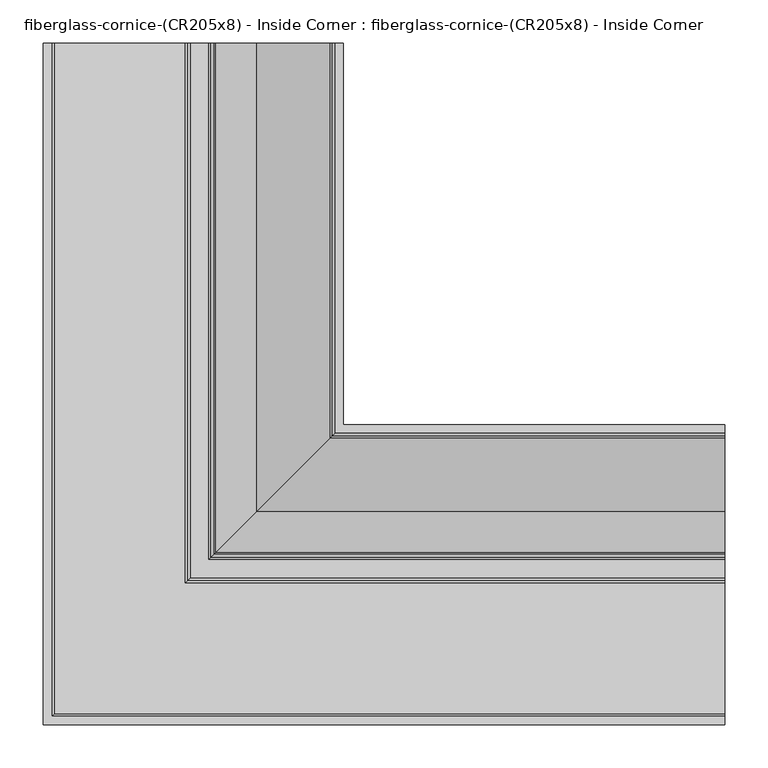
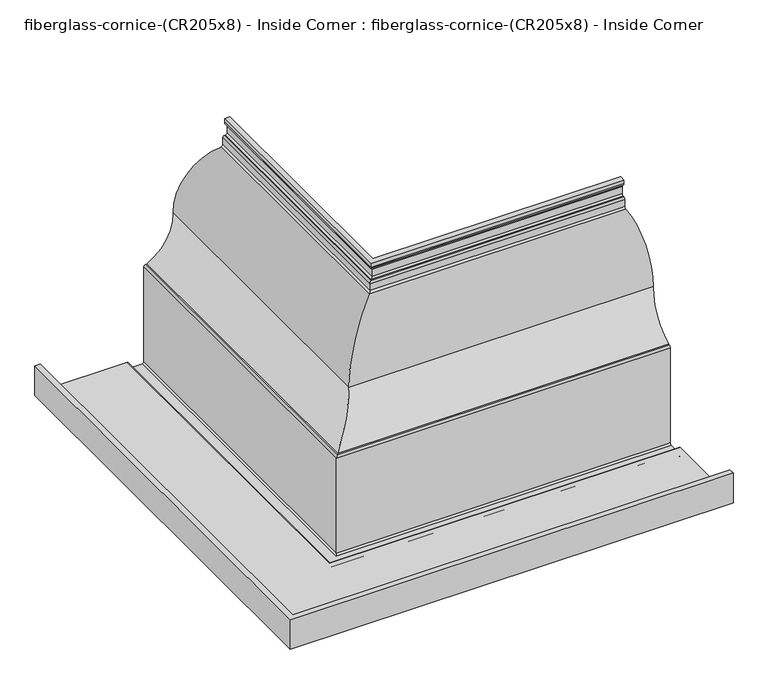
"""IFC4 building model written with IfcOpenShell, lengths in millimetres: furniture geometry, fiberglass-cornice-(CR205x8) - Inside Corner : fiberglass-cornice-(CR205x8) - Inside Corner."""

from ifc_helpers import new_model, si_unit, frame, origin, place, context, project, spatial, polyline, circle_curve, ellipse_curve, source, transform, mapped, element, save
from ifc_brep_helpers import plane_surface, cylinder_surface, revolved_surface, advanced_brep


def fiberglass_cornice_cr205x8_inside_corner_fiberglass_cornice_42f65684(model_context):
    return source(origin(), model_context, "Body", "AdvancedBrep", [
        advanced_brep(
        [(-46.8974018, 888.603125, 330.1999904), (-46.8974018, 888.603125, 296.7496669), (-50.0724018, 888.603125, 293.5746669), (-51.6624838, 888.603125, 293.5746669), (-54.8349097, 888.603125, 290.399668), (-54.8349097, 888.603125, 277.6673142), (-57.9217655, 888.603125, 274.4935379), (-142.7198334, 888.603125, 183.4968665), (-191.2729258, 888.603125, 100.4557582), (-192.6121612, 888.603125, 100.0102029), (-195.2423489, 888.603125, 96.8822955), (-195.2423489, 888.603125, -82.2659003), (-198.4173489, 888.603125, -85.4409003), (-228.7072135, 888.603125, -85.4409003), (-231.8822134, 888.603125, -82.2659005), (-231.8822134, 888.603125, -75.9158997), (-235.0792931, 888.603125, -72.7409765), (-393.6999938, 888.603125, -72.7409765), (-393.6999938, 888.603125, -17.1784797), (-384.1749995, 888.603125, -17.1784797), (-384.1749995, 888.603125, -64.8034783), (-380.9779197, 888.603125, -67.9784015), (-230.2947177, 888.603125, -67.9784015), (-227.1197177, 888.603125, -71.1534015), (-227.1197177, 888.603125, -77.5034023), (-223.9447177, 888.603125, -80.6784023), (-203.1798585, 888.603125, -80.6784023), (-200.0048585, 888.603125, -77.5034025), (-200.0048541, 888.603125, 101.1846656), (-196.6545098, 888.603125, 104.5975338), (-194.8577427, 888.603125, 105.0961744), (-147.5238881, 888.603125, 184.5765721), (-62.5299098, 888.603125, 279.0207573), (-59.5974149, 888.603125, 282.1864826), (-59.5974149, 888.603125, 295.1621667), (-56.4194256, 888.603125, 298.3371653), (-54.8349071, 888.603125, 298.3371653), (-51.6599071, 888.603125, 301.5121653), (-51.6599071, 888.603125, 314.8697359), (-54.0411573, 888.603125, 318.9941821), (-56.4224076, 888.603125, 323.1186282), (-56.4224076, 888.603125, 330.1999904), (393.6999938, 448.005717, 330.1999904), (393.6999938, 438.4807113, 330.1999904), (393.6999938, 438.4807113, 323.1186282), (393.6999938, 440.8619615, 318.9941821), (393.6999938, 443.2432118, 314.8697359), (393.6999938, 443.2432118, 301.5121653), (393.6999938, 440.0682118, 298.3371653), (393.6999938, 438.4836932, 298.3371653), (393.6999938, 435.3057039, 295.1621667), (393.6999938, 435.3057039, 282.1864826), (393.6999938, 432.373209, 279.0207573), (393.6999938, 347.3792307, 184.5765721), (393.6999938, 300.0453761, 105.0961744), (393.6999938, 298.248609, 104.5975338), (393.6999938, 294.8982648, 101.1846656), (393.6999938, 294.8982648, -77.5034025), (393.6999938, 291.7232604, -80.6784025), (393.6999938, 270.9584012, -80.6784023), (393.6999938, 267.7834012, -77.5034023), (393.6999938, 267.7834012, -71.1534015), (393.6999938, 264.6084012, -67.9784015), (393.6999938, 113.9251991, -67.9784015), (393.6999938, 110.7281194, -64.8034783), (393.6999938, 110.7281194, -17.1784797), (393.6999938, 101.203125, -17.1784797), (393.6999938, 101.203125, -72.7409765), (393.6999938, 259.8238257, -72.7409765), (393.6999938, 263.0209055, -75.9158997), (393.6999938, 263.0209055, -82.2659005), (393.6999938, 266.1959054, -85.4409003), (393.6999938, 296.48577, -85.4409003), (393.6999938, 299.66077, -82.2659003), (393.6999938, 299.66077, 96.8822955), (393.6999938, 302.2909577, 100.0102029), (393.6999938, 303.630193, 100.4557582), (393.6999938, 352.1832855, 183.4968665), (393.6999938, 436.9813533, 274.4935379), (393.6999938, 440.0682092, 277.6673142), (393.6999938, 440.0682092, 290.399668), (393.6999938, 443.240635, 293.5746669), (393.6999938, 444.830717, 293.5746669), (393.6999938, 448.005717, 296.7496669), (-46.8974018, 448.005717, 330.1999904), (-46.8974018, 448.005717, 296.7496669), (-50.0724018, 444.830717, 293.5746669), (-51.6624838, 443.240635, 293.5746669), (-54.8349097, 440.0682092, 290.399668), (-54.8349097, 440.0682092, 277.6673142), (-57.9217655, 436.9813533, 274.4935379), (-142.7198334, 352.1832855, 183.4968665), (-191.2729258, 303.630193, 100.4557582), (-192.6121612, 302.2909577, 100.0102029), (-195.2423489, 299.66077, 96.8822955), (-195.2423489, 299.66077, -82.2659003), (-198.4173489, 296.48577, -85.4409003), (-228.7072135, 266.1959054, -85.4409003), (-231.8822134, 263.0209055, -82.2659005), (-231.8822134, 263.0209055, -75.9158997), (-235.0792931, 259.8238257, -72.7409765), (-393.6999938, 101.203125, -72.7409765), (-393.6999938, 101.203125, -17.1784797), (-384.1749995, 110.7281194, -17.1784797), (-384.1749995, 110.7281194, -64.8034783), (-380.9779197, 113.9251991, -67.9784015), (-230.2947177, 264.6084012, -67.9784015), (-227.1197177, 267.7834012, -71.1534015), (-227.1197177, 267.7834012, -77.5034023), (-223.9447177, 270.9584012, -80.6784023), (-203.1798585, 291.7232604, -80.6784023), (-200.0048585, 294.8982604, -77.5034025), (-200.0048541, 294.8982648, 101.1846656), (-196.6545098, 298.248609, 104.5975338), (-194.8577427, 300.0453761, 105.0961744), (-147.5238881, 347.3792307, 184.5765721), (-62.5299098, 432.373209, 279.0207573), (-59.5974149, 435.3057039, 282.1864826), (-59.5974149, 435.3057039, 295.1621667), (-56.4194256, 438.4836932, 298.3371653), (-54.8349071, 440.0682118, 298.3371653), (-51.6599071, 443.2432118, 301.5121653), (-51.6599071, 443.2432118, 314.8697359), (-54.0411573, 440.8619615, 318.9941821), (-56.4224076, 438.4807113, 323.1186282), (-56.4224076, 438.4807113, 330.1999904)],
        [
            (0, 1),
            (1, 2, circle_curve(frame((-50.0724018, 888.603125, 296.7496669), z_axis=(0.0, 1.0, 0.0), x_axis=(1.0, 0.0, 0.0)), 3.175)),
            (2, 3),
            (3, 4, circle_curve(frame((-51.6599097, 888.603125, 290.399668), z_axis=(0.0, -1.0, 0.0), x_axis=(1.0, 0.0, 0.0)), 3.175)),
            (4, 5),
            (5, 6, circle_curve(frame((-58.0099097, 888.603125, 277.6673142), z_axis=(0.0, 1.0, 0.0), x_axis=(1.0, 0.0, 0.0)), 3.175)),
            (6, 7, circle_curve(frame((-55.4981091, 888.603125, 187.2257893), z_axis=(0.0, -1.0, 0.0), x_axis=(1.0, 0.0, 0.0)), 87.3013978)),
            (7, 8, circle_curve(frame((-231.5168116, 888.603125, 179.7005981), z_axis=(0.0, 1.0, 0.0), x_axis=(1.0, 0.0, 0.0)), 88.8780906)),
            (8, 9, circle_curve(frame((-193.4293797, 888.603125, 104.702064), z_axis=(0.0, 1.0, 0.0), x_axis=(1.0, 0.0, 0.0)), 4.7625)),
            (9, 10, circle_curve(frame((-192.0673489, 888.603125, 96.8822955), z_axis=(0.0, -1.0, 0.0), x_axis=(1.0, 0.0, 0.0)), 3.175)),
            (10, 11),
            (11, 12, circle_curve(frame((-198.4173489, 888.603125, -82.2659003), z_axis=(0.0, 1.0, 0.0), x_axis=(1.0, 0.0, 0.0)), 3.175)),
            (12, 13),
            (13, 14, circle_curve(frame((-228.7072135, 888.603125, -82.2659005), z_axis=(0.0, 1.0, 0.0), x_axis=(1.0, 0.0, 0.0)), 3.1749999)),
            (14, 15),
            (15, 16, circle_curve(frame((-235.0572134, 888.603125, -75.9158997), z_axis=(0.0, -1.0, 0.0), x_axis=(1.0, 0.0, 0.0)), 3.175)),
            (16, 17),
            (17, 18),
            (18, 19),
            (19, 20),
            (20, 21, circle_curve(frame((-380.9999995, 888.603125, -64.8034783), z_axis=(0.0, -1.0, 0.0), x_axis=(1.0, 0.0, 0.0)), 3.175)),
            (21, 22),
            (22, 23, circle_curve(frame((-230.2947177, 888.603125, -71.1534015), z_axis=(0.0, 1.0, 0.0), x_axis=(1.0, 0.0, 0.0)), 3.175)),
            (23, 24),
            (24, 25, circle_curve(frame((-223.9447177, 888.603125, -77.5034023), z_axis=(0.0, -1.0, 0.0), x_axis=(1.0, 0.0, 0.0)), 3.175)),
            (25, 26),
            (26, 27, circle_curve(frame((-203.1798585, 888.603125, -77.5034025), z_axis=(0.0, -1.0, 0.0), x_axis=(1.0, 0.0, 0.0)), 3.175)),
            (27, 28),
            (28, 29, circle_curve(frame((-196.3878847, 888.603125, 100.9848763), z_axis=(0.0, 1.0, 0.0), x_axis=(1.0, 0.0, 0.0)), 3.622483)),
            (29, 30, circle_curve(frame((-197.0050435, 888.603125, 109.3471161), z_axis=(0.0, -1.0, 0.0), x_axis=(1.0, 0.0, 0.0)), 4.7625)),
            (30, 31, circle_curve(frame((-233.7521892, 888.603125, 182.0942513), z_axis=(0.0, -1.0, 0.0), x_axis=(1.0, 0.0, 0.0)), 86.2640239)),
            (31, 32, circle_curve(frame((-55.4981091, 888.603125, 187.2257893), z_axis=(0.0, 1.0, 0.0), x_axis=(1.0, 0.0, 0.0)), 92.0639037)),
            (32, 33, circle_curve(frame((-62.7724149, 888.603125, 282.1864826), z_axis=(0.0, -1.0, 0.0), x_axis=(1.0, 0.0, 0.0)), 3.175)),
            (33, 34),
            (34, 35, circle_curve(frame((-56.4224149, 888.603125, 295.1621667), z_axis=(0.0, 1.0, 0.0), x_axis=(1.0, 0.0, 0.0)), 3.175)),
            (35, 36),
            (36, 37, circle_curve(frame((-54.8349071, 888.603125, 301.5121653), z_axis=(0.0, -1.0, 0.0), x_axis=(1.0, 0.0, 0.0)), 3.175)),
            (37, 38),
            (38, 39, circle_curve(frame((-56.4224071, 888.603125, 314.8697359), z_axis=(0.0, -1.0, 0.0), x_axis=(1.0, 0.0, 0.0)), 4.7625)),
            (39, 40, circle_curve(frame((-51.6599076, 888.603125, 323.1186282), z_axis=(0.0, 1.0, 0.0), x_axis=(1.0, 0.0, 0.0)), 4.7625)),
            (40, 41),
            (41, 0),
            (42, 43),
            (43, 44),
            (44, 45, circle_curve(frame((393.6999938, 443.2432113, 323.1186282), z_axis=(1.0, 0.0, 0.0), x_axis=(0.0, 1.0, 0.0)), 4.7625)),
            (45, 46, circle_curve(frame((393.6999938, 438.4807118, 314.8697359), z_axis=(-1.0, 0.0, 0.0), x_axis=(0.0, 1.0, 0.0)), 4.7625)),
            (46, 47),
            (47, 48, circle_curve(frame((393.6999938, 440.0682118, 301.5121653), z_axis=(-1.0, 0.0, 0.0), x_axis=(0.0, 1.0, 0.0)), 3.175)),
            (48, 49),
            (49, 50, circle_curve(frame((393.6999938, 438.4807039, 295.1621667), z_axis=(1.0, 0.0, 0.0), x_axis=(0.0, 1.0, 0.0)), 3.175)),
            (50, 51),
            (51, 52, circle_curve(frame((393.6999938, 432.1307039, 282.1864826), z_axis=(-1.0, 0.0, 0.0), x_axis=(0.0, 1.0, 0.0)), 3.175)),
            (52, 53, circle_curve(frame((393.6999938, 439.4050098, 187.2257893), z_axis=(1.0, 0.0, 0.0), x_axis=(0.0, 1.0, 0.0)), 92.0639037)),
            (53, 54, circle_curve(frame((393.6999938, 261.1509296, 182.0942513), z_axis=(-1.0, 0.0, 0.0), x_axis=(0.0, 1.0, 0.0)), 86.2640239)),
            (54, 55, circle_curve(frame((393.6999938, 297.8980754, 109.3471161), z_axis=(-1.0, 0.0, 0.0), x_axis=(0.0, 1.0, 0.0)), 4.7625)),
            (55, 56, circle_curve(frame((393.6999938, 298.5152341, 100.9848763), z_axis=(1.0, 0.0, 0.0), x_axis=(0.0, 1.0, 0.0)), 3.622483)),
            (56, 57),
            (57, 58, circle_curve(frame((393.6999938, 291.7232604, -77.5034025), z_axis=(-1.0, 0.0, 0.0), x_axis=(0.0, 1.0, 0.0)), 3.175)),
            (58, 59),
            (59, 60, circle_curve(frame((393.6999938, 270.9584012, -77.5034023), z_axis=(-1.0, 0.0, 0.0), x_axis=(0.0, 1.0, 0.0)), 3.175)),
            (60, 61),
            (61, 62, circle_curve(frame((393.6999938, 264.6084012, -71.1534015), z_axis=(1.0, 0.0, 0.0), x_axis=(0.0, 1.0, 0.0)), 3.175)),
            (62, 63),
            (63, 64, circle_curve(frame((393.6999938, 113.9031194, -64.8034783), z_axis=(-1.0, 0.0, 0.0), x_axis=(0.0, 1.0, 0.0)), 3.175)),
            (64, 65),
            (65, 66),
            (66, 67),
            (67, 68),
            (68, 69, circle_curve(frame((393.6999938, 259.8459055, -75.9158997), z_axis=(-1.0, 0.0, 0.0), x_axis=(0.0, 1.0, 0.0)), 3.175)),
            (69, 70),
            (70, 71, circle_curve(frame((393.6999938, 266.1959054, -82.2659005), z_axis=(1.0, 0.0, 0.0), x_axis=(0.0, 1.0, 0.0)), 3.1749999)),
            (71, 72),
            (72, 73, circle_curve(frame((393.6999938, 296.48577, -82.2659003), z_axis=(1.0, 0.0, 0.0), x_axis=(0.0, 1.0, 0.0)), 3.175)),
            (73, 74),
            (74, 75, circle_curve(frame((393.6999938, 302.83577, 96.8822955), z_axis=(-1.0, 0.0, 0.0), x_axis=(0.0, 1.0, 0.0)), 3.175)),
            (75, 76, circle_curve(frame((393.6999938, 301.4737391, 104.702064), z_axis=(1.0, 0.0, 0.0), x_axis=(0.0, 1.0, 0.0)), 4.7625)),
            (76, 77, circle_curve(frame((393.6999938, 263.3863073, 179.7005981), z_axis=(1.0, 0.0, 0.0), x_axis=(0.0, 1.0, 0.0)), 88.8780906)),
            (77, 78, circle_curve(frame((393.6999938, 439.4050098, 187.2257893), z_axis=(-1.0, 0.0, 0.0), x_axis=(0.0, 1.0, 0.0)), 87.3013978)),
            (78, 79, circle_curve(frame((393.6999938, 436.8932092, 277.6673142), z_axis=(1.0, 0.0, 0.0), x_axis=(0.0, 1.0, 0.0)), 3.175)),
            (79, 80),
            (80, 81, circle_curve(frame((393.6999938, 443.2432092, 290.399668), z_axis=(-1.0, 0.0, 0.0), x_axis=(0.0, 1.0, 0.0)), 3.175)),
            (81, 82),
            (82, 83, circle_curve(frame((393.6999938, 444.830717, 296.7496669), z_axis=(1.0, 0.0, 0.0), x_axis=(0.0, 1.0, 0.0)), 3.175)),
            (83, 42),
            (0, 84),
            (84, 85),
            (85, 1),
            (85, 86, ellipse_curve(frame((-50.0724018, 444.830717, 296.7496669), z_axis=(-0.7071067811865475, 0.7071067811865475, 0.0), x_axis=(0.7071067811865474, 0.7071067811865476, 0.0)), 4.4901281, 3.175)),
            (86, 2),
            (86, 82),
            (81, 87),
            (87, 3),
            (87, 88, ellipse_curve(frame((-51.6599097, 443.2432092, 290.399668), z_axis=(0.7071067811865475, -0.7071067811865475, 0.0), x_axis=(-0.7071067811865474, -0.7071067811865476, 0.0)), 4.4901281, 3.175)),
            (88, 4),
            (88, 89),
            (89, 5),
            (89, 90, ellipse_curve(frame((-58.0099097, 436.8932092, 277.6673142), z_axis=(-0.7071067811865475, 0.7071067811865475, 0.0), x_axis=(0.7071067811865474, 0.7071067811865476, 0.0)), 4.4901281, 3.175)),
            (90, 6),
            (90, 91, ellipse_curve(frame((-55.4981091, 439.4050098, 187.2257893), z_axis=(0.7071067811865475, -0.7071067811865475, 0.0), x_axis=(-0.7071067811865474, -0.7071067811865476, 0.0)), 123.4628208, 87.3013978)),
            (91, 7),
            (91, 92, ellipse_curve(frame((-231.5168116, 263.3863073, 179.7005981), z_axis=(-0.7071067811865475, 0.7071067811865475, 0.0), x_axis=(0.7071067811865474, 0.7071067811865476, 0.0)), 125.6926012, 88.8780906)),
            (92, 8),
            (92, 93, ellipse_curve(frame((-193.4293797, 301.4737391, 104.702064), z_axis=(-0.7071067811865475, 0.7071067811865475, 0.0), x_axis=(0.7071067811865474, 0.7071067811865476, 0.0)), 6.7351921, 4.7625)),
            (93, 9),
            (93, 94, ellipse_curve(frame((-192.0673489, 302.83577, 96.8822955), z_axis=(0.7071067811865475, -0.7071067811865475, 0.0), x_axis=(-0.7071067811865474, -0.7071067811865476, 0.0)), 4.4901281, 3.175)),
            (94, 10),
            (94, 95),
            (95, 11),
            (95, 96, ellipse_curve(frame((-198.4173489, 296.48577, -82.2659003), z_axis=(-0.7071067811865475, 0.7071067811865475, 0.0), x_axis=(0.7071067811865474, 0.7071067811865476, 0.0)), 4.4901281, 3.175)),
            (96, 12),
            (96, 72),
            (71, 97),
            (97, 13),
            (97, 98, ellipse_curve(frame((-228.7072135, 266.1959054, -82.2659005), z_axis=(-0.7071067811865475, 0.7071067811865475, 0.0), x_axis=(0.7071067811865474, 0.7071067811865476, 0.0)), 4.4901279, 3.1749999)),
            (98, 14),
            (98, 99),
            (99, 15),
            (99, 100, ellipse_curve(frame((-235.0572134, 259.8459055, -75.9158997), z_axis=(0.7071067811865475, -0.7071067811865475, 0.0), x_axis=(-0.7071067811865474, -0.7071067811865476, 0.0)), 4.4901281, 3.175)),
            (100, 16),
            (100, 68),
            (67, 101),
            (101, 17),
            (101, 102),
            (102, 18),
            (102, 66),
            (65, 103),
            (103, 19),
            (103, 104),
            (104, 20),
            (104, 105, ellipse_curve(frame((-380.9999995, 113.9031194, -64.8034783), z_axis=(0.7071067811865475, -0.7071067811865475, 0.0), x_axis=(-0.7071067811865474, -0.7071067811865476, 0.0)), 4.4901281, 3.175)),
            (105, 21),
            (105, 63),
            (62, 106),
            (106, 22),
            (106, 107, ellipse_curve(frame((-230.2947177, 264.6084012, -71.1534015), z_axis=(-0.7071067811865475, 0.7071067811865475, 0.0), x_axis=(0.7071067811865474, 0.7071067811865476, 0.0)), 4.4901281, 3.175)),
            (107, 23),
            (107, 108),
            (108, 24),
            (108, 109, ellipse_curve(frame((-223.9447177, 270.9584012, -77.5034023), z_axis=(0.7071067811865475, -0.7071067811865475, 0.0), x_axis=(-0.7071067811865474, -0.7071067811865476, 0.0)), 4.4901281, 3.175)),
            (109, 25),
            (109, 59),
            (58, 110),
            (110, 26),
            (110, 111, ellipse_curve(frame((-203.1798585, 291.7232604, -77.5034025), z_axis=(0.7071067811865475, -0.7071067811865475, 0.0), x_axis=(-0.7071067811865474, -0.7071067811865476, 0.0)), 4.4901281, 3.175)),
            (111, 27),
            (111, 112),
            (112, 28),
            (112, 113, ellipse_curve(frame((-196.3878847, 298.5152341, 100.9848763), z_axis=(-0.7071067811865475, 0.7071067811865475, 0.0), x_axis=(0.7071067811865474, 0.7071067811865476, 0.0)), 5.1229646, 3.622483)),
            (113, 29),
            (113, 114, ellipse_curve(frame((-197.0050435, 297.8980754, 109.3471161), z_axis=(0.7071067811865475, -0.7071067811865475, 0.0), x_axis=(-0.7071067811865474, -0.7071067811865476, 0.0)), 6.7351921, 4.7625)),
            (114, 30),
            (114, 115, ellipse_curve(frame((-233.7521892, 261.1509296, 182.0942513), z_axis=(0.7071067811865475, -0.7071067811865475, 0.0), x_axis=(-0.7071067811865474, -0.7071067811865476, 0.0)), 121.9957526, 86.2640239)),
            (115, 31),
            (115, 116, ellipse_curve(frame((-55.4981091, 439.4050098, 187.2257893), z_axis=(-0.7071067811865475, 0.7071067811865475, 0.0), x_axis=(0.7071067811865474, 0.7071067811865476, 0.0)), 130.1980213, 92.0639037)),
            (116, 32),
            (116, 117, ellipse_curve(frame((-62.7724149, 432.1307039, 282.1864826), z_axis=(0.7071067811865475, -0.7071067811865475, 0.0), x_axis=(-0.7071067811865474, -0.7071067811865476, 0.0)), 4.4901281, 3.175)),
            (117, 33),
            (117, 118),
            (118, 34),
            (118, 119, ellipse_curve(frame((-56.4224149, 438.4807039, 295.1621667), z_axis=(-0.7071067811865475, 0.7071067811865475, 0.0), x_axis=(0.7071067811865474, 0.7071067811865476, 0.0)), 4.4901281, 3.175)),
            (119, 35),
            (119, 49),
            (48, 120),
            (120, 36),
            (120, 121, ellipse_curve(frame((-54.8349071, 440.0682118, 301.5121653), z_axis=(0.7071067811865475, -0.7071067811865475, 0.0), x_axis=(-0.7071067811865474, -0.7071067811865476, 0.0)), 4.4901281, 3.175)),
            (121, 37),
            (121, 122),
            (122, 38),
            (122, 123, ellipse_curve(frame((-56.4224071, 438.4807118, 314.8697359), z_axis=(0.7071067811865475, -0.7071067811865475, 0.0), x_axis=(-0.7071067811865474, -0.7071067811865476, 0.0)), 6.7351921, 4.7625)),
            (123, 39),
            (123, 124, ellipse_curve(frame((-51.6599076, 443.2432113, 323.1186282), z_axis=(-0.7071067811865475, 0.7071067811865475, 0.0), x_axis=(0.7071067811865474, 0.7071067811865476, 0.0)), 6.7351921, 4.7625)),
            (124, 40),
            (124, 125),
            (125, 41),
            (125, 43),
            (42, 84),
            (83, 85),
            (80, 88),
            (79, 89),
            (78, 90),
            (77, 91),
            (76, 92),
            (75, 93),
            (74, 94),
            (73, 95),
            (70, 98),
            (69, 99),
            (64, 104),
            (61, 107),
            (60, 108),
            (57, 111),
            (56, 112),
            (55, 113),
            (54, 114),
            (53, 115),
            (52, 116),
            (51, 117),
            (50, 118),
            (47, 121),
            (46, 122),
            (45, 123),
            (44, 124),
        ],
        [
            plane_surface(frame((-393.6999938, 888.603125, 330.1999904), z_axis=(0.0, 1.0, 0.0), x_axis=(0.0, 0.0, 1.0))),
            plane_surface(frame((393.6999938, 101.203125, 330.1999904), z_axis=(1.0, 0.0, 0.0), x_axis=(0.0, 0.0, 1.0))),
            plane_surface(frame((-46.8974018, 888.603125, 330.1999904), z_axis=(1.0, 0.0, 0.0), x_axis=(0.0, -1.0, 0.0))),
            cylinder_surface(frame((-50.0724018, 888.603125, 296.7496669), z_axis=(0.0, 1.0, 0.0), x_axis=(1.0, 0.0, 0.0)), 3.175),
            plane_surface(frame((-50.0724018, 888.603125, 293.5746669), z_axis=(0.0, 0.0, -1.0), x_axis=(0.0, -1.0, 0.0))),
            revolved_surface(polyline([(-48.4849097, 440.06820917209376, 290.399668), (-48.4849097, 888.603125, 290.399668)]), (-51.6599097, 888.603125, 290.399668), (0.0, -1.0, 0.0)),
            plane_surface(frame((-54.8349097, 888.603125, 290.399668), z_axis=(1.0, 0.0, 0.0), x_axis=(0.0, -1.0, 0.0))),
            cylinder_surface(frame((-58.0099097, 888.603125, 277.6673142), z_axis=(0.0, 1.0, 0.0), x_axis=(1.0, 0.0, 0.0)), 3.175),
            revolved_surface(polyline([(31.803288700000003, 352.10361198790054, 187.2257893), (31.803288700000003, 888.603125, 187.2257893)]), (-55.4981091, 888.603125, 187.2257893), (0.0, -1.0, 0.0)),
            cylinder_surface(frame((-231.5168116, 888.603125, 179.7005981), z_axis=(0.0, 1.0, 0.0), x_axis=(1.0, 0.0, 0.0)), 88.8780906),
            cylinder_surface(frame((-193.4293797, 888.603125, 104.702064), z_axis=(0.0, 1.0, 0.0), x_axis=(1.0, 0.0, 0.0)), 4.7625),
            revolved_surface(polyline([(-188.8923489, 299.6607699720937, 96.8822955), (-188.8923489, 888.603125, 96.8822955)]), (-192.0673489, 888.603125, 96.8822955), (0.0, -1.0, 0.0)),
            plane_surface(frame((-195.2423489, 888.603125, 96.8822955), z_axis=(1.0, 0.0, 0.0), x_axis=(0.0, -1.0, 0.0))),
            cylinder_surface(frame((-198.4173489, 888.603125, -82.2659003), z_axis=(0.0, 1.0, 0.0), x_axis=(1.0, 0.0, 0.0)), 3.175),
            plane_surface(frame((-198.4173489, 888.603125, -85.4409003), z_axis=(0.0, 0.0, -1.0), x_axis=(0.0, -1.0, 0.0))),
            cylinder_surface(frame((-228.7072135, 888.603125, -82.2659005), z_axis=(0.0, 1.0, 0.0), x_axis=(1.0, 0.0, 0.0)), 3.1749999),
            plane_surface(frame((-231.8822134, 888.603125, -82.2659005), z_axis=(-1.0, 0.0, 0.0), x_axis=(0.0, -1.0, 0.0))),
            revolved_surface(polyline([(-231.88221339999998, 256.67090547209364, -75.9158997), (-231.88221339999998, 888.603125, -75.9158997)]), (-235.0572134, 888.603125, -75.9158997), (0.0, -1.0, 0.0)),
            plane_surface(frame((-235.0792931, 888.603125, -72.7409765), z_axis=(0.0, 0.0, -1.0), x_axis=(0.0, -1.0, 0.0))),
            plane_surface(frame((-393.6999938, 888.603125, -72.7409765), z_axis=(-1.0, 0.0, 0.0), x_axis=(0.0, -1.0, 0.0))),
            plane_surface(frame((-393.6999938, 888.603125, -17.1784797), z_axis=(0.0, 0.0, 1.0), x_axis=(0.0, -1.0, 0.0))),
            plane_surface(frame((-384.1749995, 888.603125, -17.1784797), z_axis=(1.0, 0.0, 0.0), x_axis=(0.0, -1.0, 0.0))),
            revolved_surface(polyline([(-377.8249995, 110.72811937209372, -64.8034783), (-377.8249995, 888.603125, -64.8034783)]), (-380.9999995, 888.603125, -64.8034783), (0.0, -1.0, 0.0)),
            plane_surface(frame((-380.9779197, 888.603125, -67.9784015), z_axis=(0.0, 0.0, 1.0), x_axis=(0.0, -1.0, 0.0))),
            cylinder_surface(frame((-230.2947177, 888.603125, -71.1534015), z_axis=(0.0, 1.0, 0.0), x_axis=(1.0, 0.0, 0.0)), 3.175),
            plane_surface(frame((-227.1197177, 888.603125, -71.1534015), z_axis=(1.0, 0.0, 0.0), x_axis=(0.0, -1.0, 0.0))),
            revolved_surface(polyline([(-220.7697177, 267.7834011720937, -77.5034023), (-220.7697177, 888.603125, -77.5034023)]), (-223.9447177, 888.603125, -77.5034023), (0.0, -1.0, 0.0)),
            plane_surface(frame((-223.9447177, 888.603125, -80.6784023), z_axis=(0.0, 0.0, 1.0), x_axis=(0.0, -1.0, 0.0))),
            revolved_surface(polyline([(-200.00485849999998, 288.54826037209364, -77.5034025), (-200.00485849999998, 888.603125, -77.5034025)]), (-203.1798585, 888.603125, -77.5034025), (0.0, -1.0, 0.0)),
            plane_surface(frame((-200.0048541, 888.603125, -72.7645836), z_axis=(-1.0, 0.0, 0.0), x_axis=(0.0, -1.0, 0.0))),
            cylinder_surface(frame((-196.3878847, 888.603125, 100.9848763), z_axis=(0.0, 1.0, 0.0), x_axis=(1.0, 0.0, 0.0)), 3.622483),
            revolved_surface(polyline([(-192.2425435, 293.13557539349597, 109.3471161), (-192.2425435, 888.603125, 109.3471161)]), (-197.0050435, 888.603125, 109.3471161), (0.0, -1.0, 0.0)),
            revolved_surface(polyline([(-147.4881653, 174.8869056605837, 182.0942513), (-147.4881653, 888.603125, 182.0942513)]), (-233.7521892, 888.603125, 182.0942513), (0.0, -1.0, 0.0)),
            cylinder_surface(frame((-55.4981091, 888.603125, 187.2257893), z_axis=(0.0, 1.0, 0.0), x_axis=(1.0, 0.0, 0.0)), 92.0639037),
            revolved_surface(polyline([(-59.597414900000004, 428.95570387209375, 282.1864826), (-59.597414900000004, 888.603125, 282.1864826)]), (-62.7724149, 888.603125, 282.1864826), (0.0, -1.0, 0.0)),
            plane_surface(frame((-59.5974149, 888.603125, 282.1864826), z_axis=(-1.0, 0.0, 0.0), x_axis=(0.0, -1.0, 0.0))),
            cylinder_surface(frame((-56.4224149, 888.603125, 295.1621667), z_axis=(0.0, 1.0, 0.0), x_axis=(1.0, 0.0, 0.0)), 3.175),
            plane_surface(frame((-56.4194256, 888.603125, 298.3371653), z_axis=(0.0, 0.0, 1.0), x_axis=(0.0, -1.0, 0.0))),
            revolved_surface(polyline([(-51.659907100000005, 436.8932117720937, 301.5121653), (-51.659907100000005, 888.603125, 301.5121653)]), (-54.8349071, 888.603125, 301.5121653), (0.0, -1.0, 0.0)),
            plane_surface(frame((-51.6599071, 888.603125, 301.5121653), z_axis=(-1.0, 0.0, 0.0), x_axis=(0.0, -1.0, 0.0))),
            revolved_surface(polyline([(-51.6599071, 433.7182117934959, 314.8697359), (-51.6599071, 888.603125, 314.8697359)]), (-56.4224071, 888.603125, 314.8697359), (0.0, -1.0, 0.0)),
            cylinder_surface(frame((-51.6599076, 888.603125, 323.1186282), z_axis=(0.0, 1.0, 0.0), x_axis=(1.0, 0.0, 0.0)), 4.7625),
            plane_surface(frame((-56.4224076, 888.603125, 323.1186282), z_axis=(-1.0, 0.0, 0.0), x_axis=(0.0, -1.0, 0.0))),
            plane_surface(frame((-56.4224076, 888.603125, 330.1999904), z_axis=(0.0, 0.0, 1.0), x_axis=(0.0, -1.0, 0.0))),
            plane_surface(frame((-46.8974018, 448.005717, 330.1999904), z_axis=(0.0, 1.0, 0.0), x_axis=(1.0, 0.0, 0.0))),
            cylinder_surface(frame((-393.6999938, 444.830717, 296.7496669), z_axis=(-1.0, 0.0, 0.0), x_axis=(0.0, 1.0, 0.0)), 3.175),
            revolved_surface(polyline([(393.6999938, 446.41820920000004, 290.399668), (-54.83490972790628, 446.41820920000004, 290.399668)]), (-393.6999938, 443.2432092, 290.399668), (1.0, 0.0, 0.0)),
            plane_surface(frame((-54.8349097, 440.0682092, 290.399668), z_axis=(0.0, 1.0, 0.0), x_axis=(1.0, 0.0, 0.0))),
            cylinder_surface(frame((-393.6999938, 436.8932092, 277.6673142), z_axis=(-1.0, 0.0, 0.0), x_axis=(0.0, 1.0, 0.0)), 3.175),
            revolved_surface(polyline([(393.6999938, 526.7064076, 187.2257893), (-142.79950691209953, 526.7064076, 187.2257893)]), (-393.6999938, 439.4050098, 187.2257893), (1.0, 0.0, 0.0)),
            cylinder_surface(frame((-393.6999938, 263.3863073, 179.7005981), z_axis=(-1.0, 0.0, 0.0), x_axis=(0.0, 1.0, 0.0)), 88.8780906),
            cylinder_surface(frame((-393.6999938, 301.4737391, 104.702064), z_axis=(-1.0, 0.0, 0.0), x_axis=(0.0, 1.0, 0.0)), 4.7625),
            revolved_surface(polyline([(393.6999938, 306.01077000000004, 96.8822955), (-195.24234892790628, 306.01077000000004, 96.8822955)]), (-393.6999938, 302.83577, 96.8822955), (1.0, 0.0, 0.0)),
            plane_surface(frame((-195.2423489, 299.66077, 96.8822955), z_axis=(0.0, 1.0, 0.0), x_axis=(1.0, 0.0, 0.0))),
            cylinder_surface(frame((-393.6999938, 296.48577, -82.2659003), z_axis=(-1.0, 0.0, 0.0), x_axis=(0.0, 1.0, 0.0)), 3.175),
            cylinder_surface(frame((-393.6999938, 266.1959054, -82.2659005), z_axis=(-1.0, 0.0, 0.0), x_axis=(0.0, 1.0, 0.0)), 3.1749999),
            plane_surface(frame((-231.8822134, 263.0209055, -82.2659005), z_axis=(0.0, -1.0, 0.0), x_axis=(1.0, 0.0, 0.0))),
            revolved_surface(polyline([(393.6999938, 263.0209055, -75.9158997), (-238.23221342790626, 263.0209055, -75.9158997)]), (-393.6999938, 259.8459055, -75.9158997), (1.0, 0.0, 0.0)),
            plane_surface(frame((-393.6999938, 101.203125, -72.7409765), z_axis=(0.0, -1.0, 0.0), x_axis=(1.0, 0.0, 0.0))),
            plane_surface(frame((-384.1749995, 110.7281194, -17.1784797), z_axis=(0.0, 1.0, 0.0), x_axis=(1.0, 0.0, 0.0))),
            revolved_surface(polyline([(393.6999938, 117.07811939999999, -64.8034783), (-384.17499952790627, 117.07811939999999, -64.8034783)]), (-393.6999938, 113.9031194, -64.8034783), (1.0, 0.0, 0.0)),
            cylinder_surface(frame((-393.6999938, 264.6084012, -71.1534015), z_axis=(-1.0, 0.0, 0.0), x_axis=(0.0, 1.0, 0.0)), 3.175),
            plane_surface(frame((-227.1197177, 267.7834012, -71.1534015), z_axis=(0.0, 1.0, 0.0), x_axis=(1.0, 0.0, 0.0))),
            revolved_surface(polyline([(393.6999938, 274.13340120000004, -77.5034023), (-227.11971772790628, 274.13340120000004, -77.5034023)]), (-393.6999938, 270.9584012, -77.5034023), (1.0, 0.0, 0.0)),
            revolved_surface(polyline([(393.6999938, 294.8982604, -77.5034025), (-206.35485852790626, 294.8982604, -77.5034025)]), (-393.6999938, 291.7232604, -77.5034025), (1.0, 0.0, 0.0)),
            plane_surface(frame((-200.0048541, 294.8982648, -72.7645836), z_axis=(0.0, -1.0, 0.0), x_axis=(1.0, 0.0, 0.0))),
            cylinder_surface(frame((-393.6999938, 298.5152341, 100.9848763), z_axis=(-1.0, 0.0, 0.0), x_axis=(0.0, 1.0, 0.0)), 3.622483),
            revolved_surface(polyline([(393.6999938, 302.66057539999997, 109.3471161), (-201.76754350650407, 302.66057539999997, 109.3471161)]), (-393.6999938, 297.8980754, 109.3471161), (1.0, 0.0, 0.0)),
            revolved_surface(polyline([(393.6999938, 347.41495349999997, 182.0942513), (-320.0162131394164, 347.41495349999997, 182.0942513)]), (-393.6999938, 261.1509296, 182.0942513), (1.0, 0.0, 0.0)),
            cylinder_surface(frame((-393.6999938, 439.4050098, 187.2257893), z_axis=(-1.0, 0.0, 0.0), x_axis=(0.0, 1.0, 0.0)), 92.0639037),
            revolved_surface(polyline([(393.6999938, 435.3057039, 282.1864826), (-65.94741492790627, 435.3057039, 282.1864826)]), (-393.6999938, 432.1307039, 282.1864826), (1.0, 0.0, 0.0)),
            plane_surface(frame((-59.5974149, 435.3057039, 282.1864826), z_axis=(0.0, -1.0, 0.0), x_axis=(1.0, 0.0, 0.0))),
            cylinder_surface(frame((-393.6999938, 438.4807039, 295.1621667), z_axis=(-1.0, 0.0, 0.0), x_axis=(0.0, 1.0, 0.0)), 3.175),
            revolved_surface(polyline([(393.6999938, 443.2432118, 301.5121653), (-58.009907127906274, 443.2432118, 301.5121653)]), (-393.6999938, 440.0682118, 301.5121653), (1.0, 0.0, 0.0)),
            plane_surface(frame((-51.6599071, 443.2432118, 301.5121653), z_axis=(0.0, -1.0, 0.0), x_axis=(1.0, 0.0, 0.0))),
            revolved_surface(polyline([(393.6999938, 443.2432118, 314.8697359), (-61.184907106504056, 443.2432118, 314.8697359)]), (-393.6999938, 438.4807118, 314.8697359), (1.0, 0.0, 0.0)),
            cylinder_surface(frame((-393.6999938, 443.2432113, 323.1186282), z_axis=(-1.0, 0.0, 0.0), x_axis=(0.0, 1.0, 0.0)), 4.7625),
            plane_surface(frame((-56.4224076, 438.4807113, 323.1186282), z_axis=(0.0, -1.0, 0.0), x_axis=(1.0, 0.0, 0.0))),
        ],
        [
            (0, [[1, 2, 3, 4, 5, 6, 7, 8, 9, 10, 11, 12, 13, 14, 15, 16, 17, 18, 19, 20, 21, 22, 23, 24, 25, 26, 27, 28, 29, 30, 31, 32, 33, 34, 35, 36, 37, 38, 39, 40, 41, 42]]),
            (1, [[43, 44, 45, 46, 47, 48, 49, 50, 51, 52, 53, 54, 55, 56, 57, 58, 59, 60, 61, 62, 63, 64, 65, 66, 67, 68, 69, 70, 71, 72, 73, 74, 75, 76, 77, 78, 79, 80, 81, 82, 83, 84]]),
            (2, [[-1, 85, 86, 87]]),
            (3, [[-2, -87, 88, 89]]),
            (4, [[-3, -89, 90, -82, 91, 92]]),
            (5, [[-4, -92, 93, 94]]),
            (6, [[-5, -94, 95, 96]]),
            (7, [[-6, -96, 97, 98]]),
            (8, [[-7, -98, 99, 100]]),
            (9, [[-8, -100, 101, 102]]),
            (10, [[-9, -102, 103, 104]]),
            (11, [[-10, -104, 105, 106]]),
            (12, [[-11, -106, 107, 108]]),
            (13, [[-12, -108, 109, 110]]),
            (14, [[-13, -110, 111, -72, 112, 113]]),
            (15, [[-14, -113, 114, 115]]),
            (16, [[-15, -115, 116, 117]]),
            (17, [[-16, -117, 118, 119]]),
            (18, [[-17, -119, 120, -68, 121, 122]]),
            (19, [[-18, -122, 123, 124]]),
            (20, [[-19, -124, 125, -66, 126, 127]]),
            (21, [[-20, -127, 128, 129]]),
            (22, [[-21, -129, 130, 131]]),
            (23, [[-22, -131, 132, -63, 133, 134]]),
            (24, [[-23, -134, 135, 136]]),
            (25, [[-24, -136, 137, 138]]),
            (26, [[-25, -138, 139, 140]]),
            (27, [[-26, -140, 141, -59, 142, 143]]),
            (28, [[-27, -143, 144, 145]]),
            (29, [[-145, 146, 147, -28]]),
            (30, [[-29, -147, 148, 149]]),
            (31, [[-30, -149, 150, 151]]),
            (32, [[-31, -151, 152, 153]]),
            (33, [[-32, -153, 154, 155]]),
            (34, [[-33, -155, 156, 157]]),
            (35, [[-34, -157, 158, 159]]),
            (36, [[-35, -159, 160, 161]]),
            (37, [[-36, -161, 162, -49, 163, 164]]),
            (38, [[-37, -164, 165, 166]]),
            (39, [[-38, -166, 167, 168]]),
            (40, [[-39, -168, 169, 170]]),
            (41, [[-40, -170, 171, 172]]),
            (42, [[-41, -172, 173, 174]]),
            (43, [[-42, -174, 175, -43, 176, -85]]),
            (44, [[-86, -176, -84, 177]]),
            (45, [[-88, -177, -83, -90]]),
            (46, [[-93, -91, -81, 178]]),
            (47, [[-95, -178, -80, 179]]),
            (48, [[-97, -179, -79, 180]]),
            (49, [[-99, -180, -78, 181]]),
            (50, [[-101, -181, -77, 182]]),
            (51, [[-103, -182, -76, 183]]),
            (52, [[-105, -183, -75, 184]]),
            (53, [[-107, -184, -74, 185]]),
            (54, [[-109, -185, -73, -111]]),
            (55, [[-114, -112, -71, 186]]),
            (56, [[-116, -186, -70, 187]]),
            (57, [[-118, -187, -69, -120]]),
            (58, [[-123, -121, -67, -125]]),
            (59, [[-128, -126, -65, 188]]),
            (60, [[-130, -188, -64, -132]]),
            (61, [[-135, -133, -62, 189]]),
            (62, [[-137, -189, -61, 190]]),
            (63, [[-139, -190, -60, -141]]),
            (64, [[-144, -142, -58, 191]]),
            (65, [[-146, -191, -57, 192]]),
            (66, [[-148, -192, -56, 193]]),
            (67, [[-150, -193, -55, 194]]),
            (68, [[-152, -194, -54, 195]]),
            (69, [[-154, -195, -53, 196]]),
            (70, [[-156, -196, -52, 197]]),
            (71, [[-158, -197, -51, 198]]),
            (72, [[-160, -198, -50, -162]]),
            (73, [[-165, -163, -48, 199]]),
            (74, [[-167, -199, -47, 200]]),
            (75, [[-169, -200, -46, 201]]),
            (76, [[-171, -201, -45, 202]]),
            (77, [[-173, -202, -44, -175]]),
        ],
    ),
    ])


if __name__ == "__main__":
    model = new_model("IFC4")
    model_context = context("Model", 3, world=origin())
    ifc_project = project(units=[si_unit("LENGTHUNIT", "METRE", prefix="MILLI")], contexts=[model_context])
    site = spatial("IfcSite", under=ifc_project)
    building = spatial("IfcBuilding", under=site)
    placement = place(None, origin())
    fiberglass_cornice_cr205x8_inside_corner_fiberglass_cornice_shape = fiberglass_cornice_cr205x8_inside_corner_fiberglass_cornice_42f65684(model_context)
    element("IfcFurniture", 1, ObjectType="fiberglass-cornice-(CR205x8) - Inside Corner : fiberglass-cornice-(CR205x8) - Inside Corner", at=placement, inside=building, context=model_context, shape_type="MappedRepresentation", body=[
        mapped(fiberglass_cornice_cr205x8_inside_corner_fiberglass_cornice_shape, transform((0.0, 0.0, 0.0), x_axis=(1.0, 0.0, 0.0), y_axis=(0.0, 1.0, 0.0), z_axis=(0.0, 0.0, 1.0))),
    ])
    save(model, "model.ifc")
